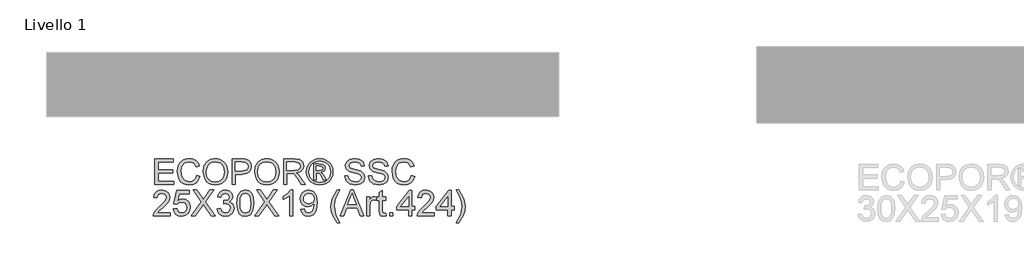
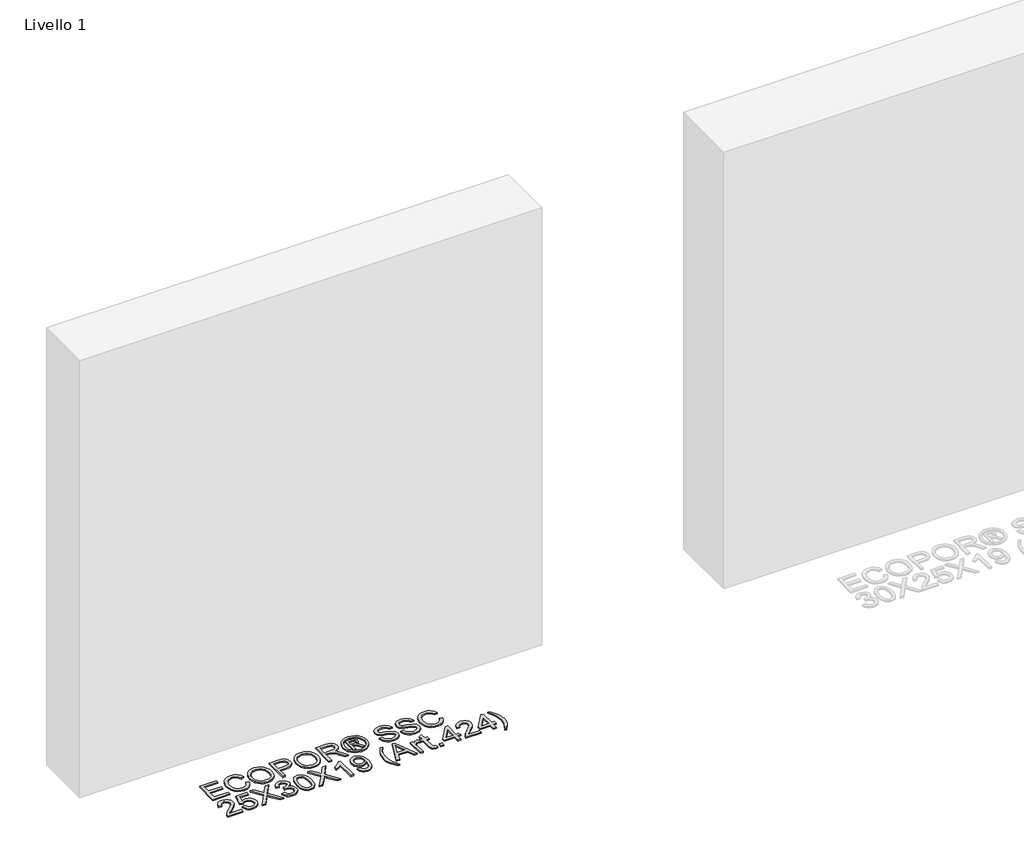
# One storey, part 2 of 10: 1 proxy.
"""IFC4 building model written with IfcOpenShell, lengths in millimetres."""

from ifc_helpers import new_model, si_unit, origin, origin_with_axes, place, context, project, spatial, polyline, outline, extrude, element, save

model = new_model("IFC4")

# Units and contexts
model_context = context("Model", 3, world=origin())
ifc_project = project(units=[si_unit("LENGTHUNIT", "METRE", prefix="MILLI")], contexts=[model_context])

# Site, building, storey
site = spatial("IfcSite", under=ifc_project)
building = spatial("IfcBuilding", under=site)
storey = spatial("IfcBuildingStorey", under=building, Name="Livello 1", Elevation=0.0)

# Proxy
placement = place(None, origin())
element("IfcBuildingElementProxy", 1, Name="100", ObjectType="100", at=placement, inside=storey, context=model_context, shape_type="SweptSolid", body=[
    extrude(outline(polyline([(-7325.2585988, 145.4376721), (-7325.2585988, 245.8939822), (-7253.0556259, 245.8939822), (-7253.0556259, 233.3369435), (-7312.70156, 233.3369435), (-7312.70156, 203.5139764), (-7256.1948855, 203.5139764), (-7256.1948855, 190.9569376), (-7312.70156, 190.9569376), (-7312.70156, 157.9947109), (-7251.485996, 157.9947109), (-7251.485996, 145.4376721), (-7325.2585988, 145.4376721)])), origin_with_axes(), (0.0, 0.0, 1.0), 5.0),
    extrude(outline(polyline([(-7162.0170948, 181.1467511), (-7149.460056, 177.9093895), (-7155.2541974, 163.2768832), (-7164.3470141, 152.5868455), (-7176.2909162, 146.0477431), (-7190.638314, 143.8680422), (-7205.2033753, 145.5173799), (-7216.7701984, 150.4653927), (-7225.6361545, 158.5404025), (-7232.0986149, 169.570731), (-7237.3593274, 196.4261166), (-7235.872471, 211.0739514), (-7231.4119018, 223.7229607), (-7224.2106117, 233.9715399), (-7214.5015928, 241.4180846), (-7202.9868863, 245.9522302), (-7190.3685339, 247.4636121), (-7176.6005502, 245.5077061), (-7165.2176681, 239.6399883), (-7156.5755069, 230.2222092), (-7151.0296859, 217.6161195), (-7163.5867246, 214.6240126), (-7173.8874205, 230.0627937), (-7190.8590432, 234.9065733), (-7210.5039417, 229.5354962), (-7221.6017153, 215.114522), (-7224.8022886, 196.4506421), (-7221.0131041, 174.8191808), (-7209.2163548, 160.9990805), (-7191.8891128, 156.425081), (-7181.4075416, 157.9824481), (-7172.6734099, 162.6545495), (-7166.0791251, 170.3923341), (-7162.0170948, 181.1467511)])), origin_with_axes(), (0.0, 0.0, 1.0), 5.0),
    extrude(outline(polyline([(-7136.9030172, 194.341452), (-7133.5552911, 216.5553931), (-7123.5121126, 233.3614689), (-7108.1775648, 243.9380763), (-7088.9557305, 247.4636121), (-7075.7794237, 245.8081431), (-7063.9642803, 240.8417362), (-7054.1540938, 232.9138792), (-7046.9926576, 222.37406), (-7042.6148619, 209.7311821), (-7041.1555966, 195.4941489), (-7042.691504, 181.0670433), (-7047.2992259, 168.2463558), (-7054.7243109, 157.6881425), (-7064.7123071, 150.0484598), (-7076.4262829, 145.4131466), (-7089.0293069, 143.8680422), (-7102.4079488, 145.5756278), (-7114.2905373, 150.6983846), (-7124.0761983, 158.7733944), (-7131.1640581, 169.337739), (-7136.9030172, 194.341452)]), holes=[polyline([(-7124.3459785, 194.2188246), (-7121.8351839, 178.5041321), (-7114.3028, 166.5295731), (-7102.9812316, 158.951204), (-7089.1028833, 156.425081), (-7075.0222, 158.9757295), (-7063.6822375, 166.627675), (-7056.2050359, 178.9701159), (-7053.7126354, 195.5922508), (-7057.9800665, 216.3162698), (-7070.4512662, 230.0382682), (-7088.8821541, 234.9065733), (-7102.3895547, 232.5613256), (-7113.8736043, 225.5255824), (-7121.7278849, 213.0083975), (-7124.3459785, 194.2188246)])]), origin_with_axes(), (0.0, 0.0, 1.0), 5.0),
    extrude(outline(polyline([(-7023.8896683, 145.4376721), (-7023.8896683, 245.8939822), (-6986.6600104, 245.8939822), (-6971.650425, 244.937489), (-6959.4490055, 240.2408622), (-6951.5395426, 230.5287776), (-6948.5474357, 216.8313046), (-6950.567721, 204.9916357), (-6956.6285769, 195.1262669), (-6967.962408, 188.4676028), (-6985.8016191, 186.2480481), (-7011.3326296, 186.2480481), (-7011.3326296, 145.4376721), (-7023.8896683, 145.4376721)]), holes=[polyline([(-7011.3326296, 198.8050869), (-6985.0658551, 198.8050869), (-6966.5736535, 203.4158745), (-6962.4717692, 208.9647613), (-6961.1044745, 216.3898462), (-6964.3295733, 226.788644), (-6972.8031219, 232.4785521), (-6985.3601607, 233.3369435), (-7011.3326296, 233.3369435), (-7011.3326296, 198.8050869)])]), origin_with_axes(), (0.0, 0.0, 1.0), 5.0),
    extrude(outline(polyline([(-6935.9903969, 194.341452), (-6932.6426708, 216.5553931), (-6922.5994923, 233.3614689), (-6907.2649445, 243.9380763), (-6888.0431102, 247.4636121), (-6874.8668034, 245.8081431), (-6863.05166, 240.8417362), (-6853.2414735, 232.9138792), (-6846.0800373, 222.37406), (-6841.7022416, 209.7311821), (-6840.2429763, 195.4941489), (-6841.7788837, 181.0670433), (-6846.3866056, 168.2463558), (-6853.8116906, 157.6881425), (-6863.7996868, 150.0484598), (-6875.5136626, 145.4131466), (-6888.1166866, 143.8680422), (-6901.4953285, 145.5756278), (-6913.377917, 150.6983846), (-6923.163578, 158.7733944), (-6930.2514378, 169.337739), (-6935.9903969, 194.341452)]), holes=[polyline([(-6923.4333582, 194.2188246), (-6920.9225636, 178.5041321), (-6913.3901797, 166.5295731), (-6902.0686113, 158.951204), (-6888.190263, 156.425081), (-6874.1095797, 158.9757295), (-6862.7696172, 166.627675), (-6855.2924156, 178.9701159), (-6852.8000151, 195.5922508), (-6857.0674462, 216.3162698), (-6869.5386459, 230.0382682), (-6887.9695338, 234.9065733), (-6901.4769344, 232.5613256), (-6912.960984, 225.5255824), (-6920.8152646, 213.0083975), (-6923.4333582, 194.2188246)])]), origin_with_axes(), (0.0, 0.0, 1.0), 5.0),
    extrude(outline(polyline([(-6822.977048, 145.4376721), (-6822.977048, 245.8939822), (-6779.6895999, 245.8939822), (-6759.5909803, 243.1839182), (-6748.6035713, 233.5944609), (-6744.4955557, 218.4009345), (-6746.1970099, 208.5049088), (-6751.3013726, 200.3011403), (-6759.9619279, 194.2862697), (-6772.33196, 190.9569376), (-6765.1950493, 185.5858605), (-6755.0169808, 172.6609397), (-6738.2660873, 145.4376721), (-6752.8587397, 145.4376721), (-6765.9308133, 166.259793), (-6775.3731178, 180.0431051), (-6782.0072565, 186.5546164), (-6787.9792075, 188.9458494), (-6795.2632711, 189.3873078), (-6810.4200093, 189.3873078), (-6810.4200093, 145.4376721), (-6822.977048, 145.4376721)]), holes=[polyline([(-6810.4200093, 201.9443465), (-6782.3138248, 201.9443465), (-6767.9786897, 203.7224429), (-6759.8362349, 209.412351), (-6757.0525945, 217.9349506), (-6762.362358, 228.9959359), (-6779.1500397, 233.3369435), (-6810.4200093, 233.3369435), (-6810.4200093, 201.9443465)])]), origin_with_axes(), (0.0, 0.0, 1.0), 5.0),
    extrude(outline(polyline([(-6681.6858364, 247.4636121), (-6668.7915725, 245.789749), (-6656.2038769, 240.7681598), (-6645.1459572, 232.6318363), (-6636.8410212, 221.6137706), (-6631.644688, 208.8911849), (-6629.912577, 195.6413017), (-6631.6201625, 182.5079145), (-6636.7429193, 169.889562), (-6644.9466878, 158.9113502), (-6655.8973085, 150.6983846), (-6668.5064639, 145.5756278), (-6681.6858364, 143.8680422), (-6694.8468148, 145.5756278), (-6707.4498388, 150.6983846), (-6718.4096566, 158.9113502), (-6726.6410162, 169.889562), (-6731.7913642, 182.5079145), (-6733.5081468, 195.6413017), (-6731.7668387, 208.8911849), (-6726.5429144, 221.6137706), (-6718.2103872, 232.6318363), (-6707.1432705, 240.7681598), (-6694.5617062, 245.789749), (-6681.6858364, 247.4636121)]), holes=[polyline([(-6681.6858364, 238.045833), (-6702.5079573, 232.5643913), (-6711.5363946, 225.9026615), (-6718.3636713, 216.8803555), (-6724.0903677, 195.6413017), (-6718.4740359, 174.5861888), (-6702.753212, 158.9021531), (-6681.6858364, 153.2858213), (-6660.6061981, 158.9021531), (-6644.9221624, 174.5861888), (-6639.330356, 195.6413017), (-6645.0202642, 216.8803555), (-6651.8291468, 225.9026615), (-6660.8759782, 232.5643913), (-6681.6858364, 238.045833)])]), origin_with_axes(), (0.0, 0.0, 1.0), 5.0),
    extrude(outline(polyline([(-6705.2548096, 164.2732302), (-6705.2548096, 227.0584241), (-6684.9722489, 227.0584241), (-6669.9136126, 225.3293787), (-6662.494659, 219.296114), (-6659.735544, 210.1358523), (-6664.4934845, 198.2164757), (-6677.0995742, 192.5265675), (-6672.1944809, 189.191104), (-6663.6350932, 176.6585907), (-6656.5962843, 164.2732302), (-6667.1912858, 164.2732302), (-6672.7095157, 174.2305696), (-6681.9556165, 188.6515438), (-6689.975444, 190.9569376), (-6695.8370305, 190.9569376), (-6695.8370305, 164.2732302), (-6705.2548096, 164.2732302)]), holes=[polyline([(-6695.8370305, 200.3747167), (-6683.9176538, 200.3747167), (-6672.2680573, 202.7659497), (-6669.1533231, 209.1057827), (-6670.6493766, 213.6675195), (-6674.8064431, 216.6596264), (-6684.6779433, 217.640645), (-6695.8370305, 217.640645), (-6695.8370305, 200.3747167)])]), origin_with_axes(), (0.0, 0.0, 1.0), 5.0),
    extrude(outline(polyline([(-6584.3933114, 179.9695287), (-6571.8362726, 179.9695287), (-6567.7895707, 167.4002272), (-6557.9058078, 159.4539761), (-6542.8471714, 156.425081), (-6529.7260469, 158.7182121), (-6521.2524983, 165.021257), (-6518.4688579, 173.4457547), (-6520.5535225, 181.2816411), (-6529.0883848, 186.9838121), (-6547.37212, 191.7785407), (-6567.0538067, 197.971221), (-6577.7346473, 207.3154237), (-6581.2540517, 219.798886), (-6576.9007814, 234.0113938), (-6564.1843271, 244.0423095), (-6545.5694982, 247.4636121), (-6525.7038705, 243.882894), (-6512.4601186, 233.3614689), (-6507.481449, 217.640645), (-6520.0384877, 217.640645), (-6522.3438816, 225.133175), (-6527.150873, 230.5410403), (-6545.0789889, 234.9065733), (-6563.0561557, 230.5900912), (-6568.697013, 220.166768), (-6564.6993619, 211.4602275), (-6544.1960721, 204.4459441), (-6521.9759996, 198.1428993), (-6509.823631, 187.9648307), (-6505.9118191, 173.7645857), (-6510.4122422, 158.7427376), (-6523.3616884, 147.7798541), (-6542.3566621, 143.8680422), (-6564.7852011, 148.0864225), (-6578.9731834, 160.790614), (-6584.3933114, 179.9695287)])), origin_with_axes(), (0.0, 0.0, 1.0), 5.0),
    extrude(outline(polyline([(-6491.7851505, 179.9695287), (-6479.2281117, 179.9695287), (-6475.1814098, 167.4002272), (-6465.2976468, 159.4539761), (-6450.2390105, 156.425081), (-6437.117886, 158.7182121), (-6428.6443374, 165.021257), (-6425.860697, 173.4457547), (-6427.9453616, 181.2816411), (-6436.4802239, 186.9838121), (-6454.763959, 191.7785407), (-6474.4456458, 197.971221), (-6485.1264864, 207.3154237), (-6488.6458908, 219.798886), (-6484.2926205, 234.0113938), (-6471.5761662, 244.0423095), (-6452.9613373, 247.4636121), (-6433.0957095, 243.882894), (-6419.8519577, 233.3614689), (-6414.873288, 217.640645), (-6427.4303268, 217.640645), (-6429.7357206, 225.133175), (-6434.542712, 230.5410403), (-6452.4708279, 234.9065733), (-6470.4479948, 230.5900912), (-6476.088852, 220.166768), (-6472.091201, 211.4602275), (-6451.5879112, 204.4459441), (-6429.3678386, 198.1428993), (-6417.2154701, 187.9648307), (-6413.3036582, 173.7645857), (-6417.8040813, 158.7427376), (-6430.7535275, 147.7798541), (-6449.7485012, 143.8680422), (-6472.1770402, 148.0864225), (-6486.3650224, 160.790614), (-6491.7851505, 179.9695287)])), origin_with_axes(), (0.0, 0.0, 1.0), 5.0),
    extrude(outline(polyline([(-6323.834757, 181.1467511), (-6311.2777182, 177.9093895), (-6317.0718596, 163.2768832), (-6326.1646763, 152.5868455), (-6338.1085784, 146.0477431), (-6352.4559762, 143.8680422), (-6367.0210375, 145.5173799), (-6378.5878606, 150.4653927), (-6387.4538167, 158.5404025), (-6393.916277, 169.570731), (-6399.1769896, 196.4261166), (-6397.6901332, 211.0739514), (-6393.229564, 223.7229607), (-6386.0282739, 233.9715399), (-6376.3192549, 241.4180846), (-6364.8045485, 245.9522302), (-6352.1861961, 247.4636121), (-6338.4182124, 245.5077061), (-6327.0353303, 239.6399883), (-6318.3931691, 230.2222092), (-6312.847348, 217.6161195), (-6325.4043868, 214.6240126), (-6335.7050827, 230.0627937), (-6352.6767054, 234.9065733), (-6372.3216039, 229.5354962), (-6383.4193775, 215.114522), (-6386.6199508, 196.4506421), (-6382.8307663, 174.8191808), (-6371.0340169, 160.9990805), (-6353.706775, 156.425081), (-6343.2252038, 157.9824481), (-6334.4910721, 162.6545495), (-6327.8967873, 170.3923341), (-6323.834757, 181.1467511)])), origin_with_axes(), (0.0, 0.0, 1.0), 5.0),
    extrude(outline(polyline([(-7265.6126646, 36.019893), (-7265.6126646, 23.4628542), (-7331.5371182, 23.4628542), (-7330.1882175, 32.1203439), (-7322.5607975, 45.4499348), (-7306.8399735, 60.0057991), (-7285.1594613, 80.9260219), (-7279.7393332, 95.1507924), (-7284.852893, 106.6654988), (-7298.2070094, 111.3621256), (-7312.1252115, 106.7758634), (-7317.4104495, 94.0961973), (-7329.9674883, 95.6658272), (-7326.9232648, 107.8120644), (-7320.3412428, 116.6841518), (-7310.5647787, 122.1104112), (-7297.9372293, 123.9191644), (-7285.2177093, 121.9080761), (-7275.4596394, 115.8748114), (-7269.2516307, 106.8617025), (-7267.1822945, 95.9110818), (-7269.4141119, 84.0039679), (-7276.8330655, 71.6921838), (-7294.822495, 54.4875692), (-7309.2679947, 42.408777), (-7314.9333774, 36.019893), (-7265.6126646, 36.019893)])), origin_with_axes(), (0.0, 0.0, 1.0), 5.0),
    extrude(outline(polyline([(-7253.0556259, 50.1465616), (-7240.4985871, 51.7161915), (-7234.1710168, 38.779008), (-7221.0498923, 34.4502632), (-7212.0490461, 35.9555137), (-7205.3045429, 40.4712652), (-7201.092294, 47.4763515), (-7199.6882111, 56.4496065), (-7204.9489236, 71.36109), (-7211.5554711, 75.4629743), (-7220.8536885, 76.830269), (-7231.8778857, 74.6475025), (-7238.9289572, 68.9821198), (-7251.485996, 70.5517496), (-7240.4985871, 122.3495345), (-7191.8400619, 122.3495345), (-7191.8400619, 109.7924958), (-7230.345044, 109.7924958), (-7235.7161211, 82.1277697), (-7226.7459318, 87.5724233), (-7217.3465469, 89.3873078), (-7205.6141769, 87.1370962), (-7195.8745011, 80.3864616), (-7189.3170045, 70.0980285), (-7187.1311723, 57.2344214), (-7189.099341, 44.6773826), (-7195.003847, 33.9352284), (-7206.310087, 24.9037254), (-7221.0989432, 21.8932244), (-7233.4321871, 23.8276706), (-7243.257702, 29.631009), (-7249.9930082, 38.6287895), (-7253.0556259, 50.1465616)])), origin_with_axes(), (0.0, 0.0, 1.0), 5.0),
    extrude(outline(polyline([(-7182.4222828, 23.4628542), (-7143.6965714, 78.2036951), (-7176.1437634, 123.9191644), (-7161.0851271, 123.9191644), (-7142.8136546, 98.1919502), (-7136.6577626, 88.1610345), (-7129.4472755, 98.3636285), (-7111.3720068, 123.9191644), (-7096.0926412, 123.9191644), (-7128.5398332, 78.0565423), (-7089.8141219, 23.4628542), (-7104.8727582, 23.4628542), (-7130.6735488, 59.8586463), (-7136.0446259, 67.4124899), (-7141.9552633, 59.1228823), (-7167.1429172, 23.4628542), (-7182.4222828, 23.4628542)])), origin_with_axes(), (0.0, 0.0, 1.0), 5.0),
    extrude(outline(polyline([(-7081.9659726, 50.1465616), (-7069.4089339, 51.7161915), (-7062.4804896, 38.4969651), (-7049.5187807, 34.4502632), (-7040.910342, 35.8420834), (-7034.2639406, 40.017544), (-7028.5985579, 53.8008561), (-7034.2148897, 66.7870905), (-7048.4887111, 71.9251757), (-7057.2933535, 70.5517496), (-7055.8954019, 83.1087884), (-7053.8843137, 82.9616356), (-7039.6350177, 86.5668791), (-7034.88934, 91.1408786), (-7033.3074474, 97.6523899), (-7037.8937096, 107.4748392), (-7049.7149844, 111.3621256), (-7061.683412, 107.438051), (-7067.839304, 95.6658272), (-7080.3963428, 97.235457), (-7076.6991287, 108.5110402), (-7070.1201724, 116.9294065), (-7061.1193262, 122.1717249), (-7050.1564428, 123.9191644), (-7035.0119673, 120.4733364), (-7024.4169658, 111.0555573), (-7020.7504086, 98.3881539), (-7024.2330249, 86.8121338), (-7034.5337207, 78.4980007), (-7020.8485105, 69.9140875), (-7016.0415191, 53.5801269), (-7018.4450148, 41.3419192), (-7025.6555019, 31.1147997), (-7036.5386776, 24.1986182), (-7049.960239, 21.8932244), (-7062.1003449, 23.8613931), (-7071.9841078, 29.7658991), (-7078.8573698, 38.7974021), (-7081.9659726, 50.1465616)])), origin_with_axes(), (0.0, 0.0, 1.0), 5.0),
    extrude(outline(polyline([(-7005.0541102, 72.8816689), (-7001.3630275, 101.784931), (-6990.400144, 118.4499854), (-6972.0918834, 123.9191644), (-6957.4256545, 120.6818028), (-6947.2966369, 111.3498629), (-6941.410525, 96.4874303), (-6939.1296566, 72.8816689), (-6942.7839511, 44.1010342), (-6953.7100464, 27.3991916), (-6961.941406, 23.2697162), (-6972.0918834, 21.8932244), (-6985.1394315, 24.2844574), (-6995.0477199, 31.4581563), (-7002.5525126, 48.4481731), (-7005.0541102, 72.8816689)]), holes=[polyline([(-6992.4970714, 72.9061944), (-6991.0255434, 53.1539969), (-6986.6109595, 41.7220639), (-6980.0381345, 36.2682134), (-6972.0918834, 34.4502632), (-6964.1456323, 36.2743447), (-6957.5728073, 41.7465894), (-6953.1582234, 53.1846538), (-6951.6866954, 72.9061944), (-6953.1091724, 92.2138678), (-6957.3766036, 103.7347056), (-6963.9371658, 109.4552706), (-6972.2390362, 111.3621256), (-6980.0994482, 109.6821312), (-6986.4147557, 104.6421478), (-6990.9764925, 92.4039401), (-6992.4970714, 72.9061944)])]), origin_with_axes(), (0.0, 0.0, 1.0), 5.0),
    extrude(outline(polyline([(-6934.4207671, 23.4628542), (-6895.6950557, 78.2036951), (-6928.1422477, 123.9191644), (-6913.0836114, 123.9191644), (-6894.8121389, 98.1919502), (-6888.6562469, 88.1610345), (-6881.4457598, 98.3636285), (-6863.3704911, 123.9191644), (-6848.0911256, 123.9191644), (-6880.5383175, 78.0565423), (-6841.8126062, 23.4628542), (-6856.8712425, 23.4628542), (-6882.6720331, 59.8586463), (-6888.0431102, 67.4124899), (-6893.9537476, 59.1228823), (-6919.1414016, 23.4628542), (-6934.4207671, 23.4628542)])), origin_with_axes(), (0.0, 0.0, 1.0), 5.0),
    extrude(outline(polyline([(-6786.8755616, 23.4628542), (-6799.4326003, 23.4628542), (-6799.4326003, 101.7481428), (-6811.3274515, 93.2745942), (-6824.5466779, 86.9347611), (-6824.5466779, 98.8050869), (-6806.1403154, 110.5527852), (-6794.9689655, 123.9191644), (-6786.8755616, 123.9191644), (-6786.8755616, 23.4628542)])), origin_with_axes(), (0.0, 0.0, 1.0), 5.0),
    extrude(outline(polyline([(-6755.4829646, 48.5769318), (-6742.9259259, 50.1465616), (-6737.2850686, 38.1658713), (-6726.5919653, 34.4502632), (-6716.4261595, 36.8414961), (-6709.5345034, 43.2303801), (-6705.4264878, 54.1442126), (-6703.6116033, 68.7123396), (-6703.6851797, 71.1648863), (-6713.7283582, 61.6490053), (-6727.4994075, 57.9947109), (-6738.9497346, 60.2265283), (-6748.480944, 66.9219806), (-6754.9096819, 77.265596), (-6757.0525945, 90.4419028), (-6754.8054486, 104.0535367), (-6748.0640111, 114.7221145), (-6737.9380592, 121.6199019), (-6725.5373702, 123.9191644), (-6707.6460425, 118.6707146), (-6695.3342584, 103.7101801), (-6691.128141, 75.6039957), (-6695.3219957, 45.1065783), (-6700.536723, 35.1155164), (-6707.7931953, 27.8283873), (-6716.7787131, 23.3770151), (-6727.1805765, 21.8932244), (-6737.9165994, 23.6437296), (-6746.4821185, 28.895245), (-6752.4724636, 37.316677), (-6755.4829646, 48.5769318)]), holes=[polyline([(-6703.6851797, 90.7362084), (-6705.0402117, 99.2465452), (-6709.1053078, 105.7948448), (-6715.414484, 109.9703054), (-6723.5017565, 111.3621256), (-6731.889466, 109.8630065), (-6738.6094438, 105.3656491), (-6743.0240277, 98.4831901), (-6744.4955557, 89.8287662), (-6743.1037355, 82.0695218), (-6738.9282749, 75.910564), (-6732.373844, 71.8914532), (-6723.8451131, 70.5517496), (-6709.3628252, 75.910564), (-6705.1045911, 82.2963823), (-6703.6851797, 90.7362084)])]), origin_with_axes(), (0.0, 0.0, 1.0), 5.0),
    extrude(outline(polyline([(-6612.6466486, -4.790483), (-6630.4766627, 24.6646021), (-6635.9397103, 41.8446913), (-6637.7607262, 59.6379171), (-6632.3160727, 90.1721227), (-6612.6466486, 123.9191644), (-6603.2288696, 123.9191644), (-6614.9765679, 104.0290112), (-6622.0399023, 84.7519946), (-6625.2036874, 59.5643407), (-6619.709983, 27.3746661), (-6603.2288696, -4.790483), (-6612.6466486, -4.790483)])), origin_with_axes(), (0.0, 0.0, 1.0), 5.0),
    extrude(outline(polyline([(-6600.8008484, 23.4628542), (-6560.7017109, 123.9191644), (-6550.0086076, 123.9191644), (-6509.9094701, 23.4628542), (-6523.1777474, 23.4628542), (-6534.6801911, 54.8554512), (-6576.0546529, 54.8554512), (-6587.5325711, 23.4628542), (-6600.8008484, 23.4628542)]), holes=[polyline([(-6571.4438652, 67.4124899), (-6539.2664533, 67.4124899), (-6548.3163504, 92.1096345), (-6555.3551593, 111.3621256), (-6561.6091532, 94.2678756), (-6571.4438652, 67.4124899)])]), origin_with_axes(), (0.0, 0.0, 1.0), 5.0),
    extrude(outline(polyline([(-6498.0636699, 23.4628542), (-6498.0636699, 97.235457), (-6487.076261, 97.235457), (-6487.076261, 86.3216245), (-6479.2771627, 96.3770657), (-6471.4290134, 98.8050869), (-6458.8229237, 94.9300632), (-6463.0167785, 83.6728741), (-6471.8459464, 86.2480481), (-6478.9460689, 83.770976), (-6483.4710174, 76.9038454), (-6485.5066311, 62.2376165), (-6485.5066311, 23.4628542), (-6498.0636699, 23.4628542)])), origin_with_axes(), (0.0, 0.0, 1.0), 5.0),
    extrude(outline(polyline([(-6424.2910671, 33.9352284), (-6422.7214373, 23.0949722), (-6432.1146909, 21.8932244), (-6442.6361159, 23.977889), (-6447.8845657, 29.447068), (-6449.4051447, 43.696364), (-6449.4051447, 84.6784182), (-6458.8229237, 84.6784182), (-6458.8229237, 97.235457), (-6449.4051447, 97.235457), (-6449.4051447, 115.1635729), (-6436.8481059, 122.5457383), (-6436.8481059, 97.235457), (-6424.2910671, 97.235457), (-6424.2910671, 84.6784182), (-6436.8481059, 84.6784182), (-6436.8481059, 44.064246), (-6436.1859183, 37.5895229), (-6434.03994, 35.2963918), (-6429.7602461, 34.4502632), (-6424.2910671, 33.9352284)])), origin_with_axes(), (0.0, 0.0, 1.0), 5.0),
    extrude(outline(polyline([(-6408.5947687, 23.4628542), (-6408.5947687, 36.019893), (-6396.0377299, 36.019893), (-6396.0377299, 23.4628542), (-6408.5947687, 23.4628542)])), origin_with_axes(), (0.0, 0.0, 1.0), 5.0),
    extrude(outline(polyline([(-6334.8221659, 23.4628542), (-6334.8221659, 47.0073019), (-6380.3414314, 47.0073019), (-6380.3414314, 59.5643407), (-6331.6829062, 122.3495345), (-6322.2651271, 122.3495345), (-6322.2651271, 59.5643407), (-6309.7080884, 59.5643407), (-6309.7080884, 47.0073019), (-6322.2651271, 47.0073019), (-6322.2651271, 23.4628542), (-6334.8221659, 23.4628542)]), holes=[polyline([(-6334.8221659, 59.5643407), (-6334.8221659, 98.3636285), (-6364.8903876, 59.5643407), (-6334.8221659, 59.5643407)])]), origin_with_axes(), (0.0, 0.0, 1.0), 5.0),
    extrude(outline(polyline([(-6234.3658557, 36.019893), (-6234.3658557, 23.4628542), (-6300.2903093, 23.4628542), (-6298.9414086, 32.1203439), (-6291.3139886, 45.4499348), (-6275.5931647, 60.0057991), (-6253.9126524, 80.9260219), (-6248.4925244, 95.1507924), (-6253.6060841, 106.6654988), (-6266.9602005, 111.3621256), (-6280.8784027, 106.7758634), (-6286.1636407, 94.0961973), (-6298.7206794, 95.6658272), (-6295.6764559, 107.8120644), (-6289.0944339, 116.6841518), (-6279.3179699, 122.1104112), (-6266.6904204, 123.9191644), (-6253.9709004, 121.9080761), (-6244.2128305, 115.8748114), (-6238.0048218, 106.8617025), (-6235.9354856, 95.9110818), (-6238.167303, 84.0039679), (-6245.5862566, 71.6921838), (-6263.5756862, 54.4875692), (-6278.0211858, 42.408777), (-6283.6865686, 36.019893), (-6234.3658557, 36.019893)])), origin_with_axes(), (0.0, 0.0, 1.0), 5.0),
    extrude(outline(polyline([(-6180.998441, 23.4628542), (-6180.998441, 47.0073019), (-6226.5177065, 47.0073019), (-6226.5177065, 59.5643407), (-6177.8591813, 122.3495345), (-6168.4414022, 122.3495345), (-6168.4414022, 59.5643407), (-6155.8843634, 59.5643407), (-6155.8843634, 47.0073019), (-6168.4414022, 47.0073019), (-6168.4414022, 23.4628542), (-6180.998441, 23.4628542)]), holes=[polyline([(-6180.998441, 59.5643407), (-6180.998441, 98.3636285), (-6211.0666627, 59.5643407), (-6180.998441, 59.5643407)])]), origin_with_axes(), (0.0, 0.0, 1.0), 5.0),
    extrude(outline(polyline([(-6138.6184351, -4.790483), (-6148.0362142, -4.790483), (-6131.5551008, 27.3746661), (-6126.0613964, 59.5643407), (-6129.2251815, 84.5312654), (-6136.2149394, 103.8328075), (-6148.0362142, 123.9191644), (-6138.6184351, 123.9191644), (-6118.9490111, 90.1721227), (-6113.5043576, 59.6379171), (-6115.3345705, 41.8446913), (-6120.8252093, 24.6646021), (-6138.6184351, -4.790483)])), origin_with_axes(), (0.0, 0.0, 1.0), 5.0),
])

save(model, "model.ifc")
